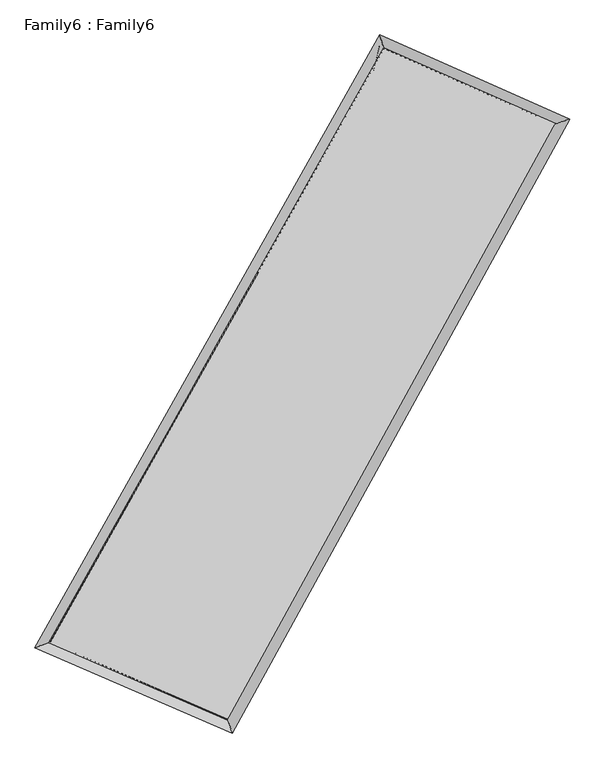
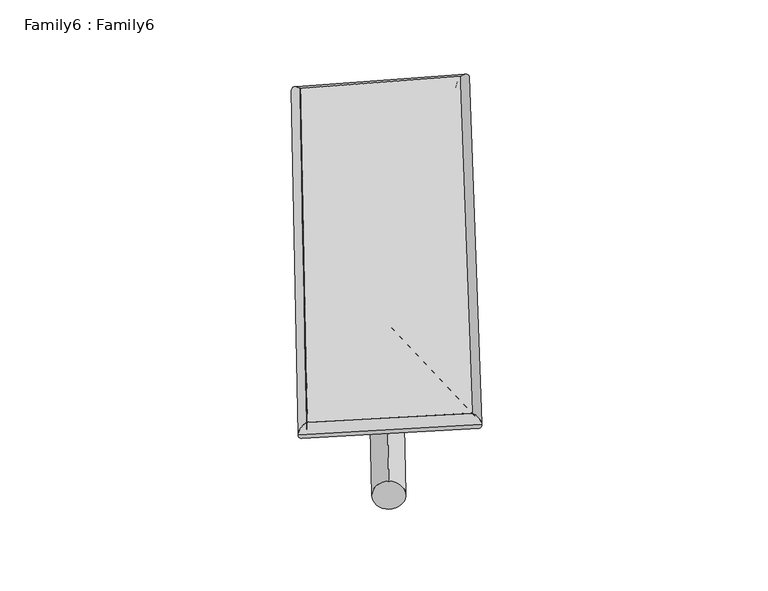
"""IFC4 building model written with IfcOpenShell, lengths in millimetres: plate geometry, Family6 : Family6."""

from ifc_helpers import new_model, si_unit, point, frame, origin, origin_2d, place, context, project, spatial, circle_curve, ellipse_curve, trimmed, segment, composite_curve, outline, extrude, source, transform, mapped, element, save
from ifc_brep_helpers import plane_surface, cylinder_surface, spline_surface, advanced_brep


def family6_family6_7ff39270(model_context):
    return source(origin(), model_context, "Body", "SolidModel", [
        extrude(outline(composite_curve([segment(trimmed(circle_curve(origin_2d(), 76.2), [point((-75.4341514, -10.7763074))], [point((75.4341514, 10.7763074))], False, "CARTESIAN"), True, "CONTINUOUS"), segment(trimmed(circle_curve(origin_2d(), 76.2), [point((75.4341514, 10.7763074))], [point((-75.4341514, -10.7763074))], False, "CARTESIAN"), True, "CONTINUOUS")], self_intersect=False)), frame((9144.0, 9144.0, 0.0), z_axis=(0.6706043938511307, 0.6920723987697479, 0.2670684215863882), x_axis=(-0.6832972732696748, 0.7164357457457711, -0.14080006590882133)), (0.0, 0.0, 1.0), 5777.7391707),
        extrude(outline(composite_curve([segment(trimmed(circle_curve(origin_2d(), 76.2), [point((-53.8815368, 53.8815367))], [point((53.8815368, -53.8815367))], False, "CARTESIAN"), True, "CONTINUOUS"), segment(trimmed(circle_curve(origin_2d(), 76.2), [point((53.8815368, -53.8815367))], [point((-53.8815368, 53.8815367))], False, "CARTESIAN"), True, "CONTINUOUS")], self_intersect=False)), frame((9144.0, 9144.0, 0.0), z_axis=(-0.6765126782522205, -0.6868227685935797, 0.26571616568334316), x_axis=(0.6364582333485362, -0.3637736431151385, 0.6801394370109706)), (0.0, 0.0, 1.0), 5805.8561265),
        extrude(outline(composite_curve([segment(trimmed(circle_curve(origin_2d(), 76.2), [point((-53.8815368, -53.8815368))], [point((53.8815368, 53.8815368))], False, "CARTESIAN"), True, "CONTINUOUS"), segment(trimmed(circle_curve(origin_2d(), 76.2), [point((53.8815368, 53.8815368))], [point((-53.8815368, -53.8815368))], False, "CARTESIAN"), True, "CONTINUOUS")], self_intersect=False)), frame((9144.0, 9144.0, 0.0), z_axis=(0.2217959100623773, 0.9363150583931772, 0.27225114454448696), x_axis=(-0.8487684864154811, 0.3228255281427879, -0.41877886150963217)), (0.0, 0.0, 1.0), 5521.8380183),
        extrude(outline(composite_curve([segment(trimmed(circle_curve(origin_2d(), 76.2), [point((-75.4341514, 10.7763073))], [point((75.4341514, -10.7763073))], False, "CARTESIAN"), True, "CONTINUOUS"), segment(trimmed(circle_curve(origin_2d(), 76.2), [point((75.4341514, -10.7763073))], [point((-75.4341514, 10.7763073))], False, "CARTESIAN"), True, "CONTINUOUS")], self_intersect=False)), frame((9144.0, 9144.0, 0.0), z_axis=(-0.21275129731434916, -0.9383801571515884, 0.27235925935282956), x_axis=(0.8954680993517341, -0.07570957997501407, 0.43863987796756476)), (0.0, 0.0, 1.0), 5521.9296829),
        advanced_brep(
        [(5000.6397186, 5083.8938819, 1540.1598661), (5000.5965886, 5083.8370429, 1546.0210349), (5431.889726, 5228.9177603, 1545.2597908), (10433.6516698, 14118.853658, 1507.0285247), (10303.7905071, 14509.5065151, 1499.6249163), (5431.932856, 5228.9745993, 1539.398622), (12804.950878, 13070.4442368, 1542.5775357), (13232.2036709, 13214.7833779, 1543.5258257), (7902.540947, 4157.3587574, 1504.6126497), (8035.8636455, 3767.3027554, 1503.2847076)],
        [
            (0, 1, ellipse_curve(frame((5216.2647223, 5156.4058211, 1542.7098284), z_axis=(-0.3188117635896031, 0.9477933328048395, 0.006845267531784604), x_axis=(-0.9477313986694903, -0.31887195906091914, 0.011219166663484461)), 227.5755751, 152.4)),
            (1, 2, ellipse_curve(frame((5216.2647223, 5156.4058211, 1542.7098284), z_axis=(-0.3188117635896031, 0.9477933328048395, 0.006845267531784604), x_axis=(-0.9477313986694903, -0.31887195906091914, 0.011219166663484461)), 227.5755751, 152.4)),
            (2, 3),
            (3, 4, ellipse_curve(frame((10368.7210885, 14314.1800865, 1503.3267205), z_axis=(-0.948883081301825, -0.3155560573476382, -0.006728498373946734), x_axis=(0.3154537043842952, -0.9488521444754106, 0.012983386100720638)), 205.8712484, 152.4)),
            (4, 0),
            (2, 5, ellipse_curve(frame((5216.2647223, 5156.4058211, 1542.7098284), z_axis=(-0.3188117635896031, 0.9477933328048395, 0.006845267531784604), x_axis=(-0.9477313986694903, -0.31887195906091914, 0.011219166663484461)), 227.5755751, 152.4)),
            (5, 0, ellipse_curve(frame((5216.2647223, 5156.4058211, 1542.7098284), z_axis=(-0.3188117635896031, 0.9477933328048395, 0.006845267531784604), x_axis=(-0.9477313986694903, -0.31887195906091914, 0.011219166663484461)), 227.5755751, 152.4)),
            (4, 3, ellipse_curve(frame((10368.7210885, 14314.1800865, 1503.3267205), z_axis=(-0.948883081301825, -0.3155560573476382, -0.006728498373946734), x_axis=(0.3154537043842952, -0.9488521444754106, 0.012983386100720638)), 205.8712484, 152.4)),
            (3, 6),
            (6, 7, ellipse_curve(frame((13018.5772744, 13142.6138073, 1543.0516807), z_axis=(-0.3200365322241712, 0.9473764444164849, -0.007381775308548647), x_axis=(-0.9473079793736798, -0.3201055973224168, -0.011832107919320625)), 225.5008516, 152.4)),
            (7, 4),
            (7, 6, ellipse_curve(frame((13018.5772744, 13142.6138073, 1543.0516807), z_axis=(-0.3200365322241712, 0.9473764444164849, -0.007381775308548647), x_axis=(-0.9473079793736798, -0.3201055973224168, -0.011832107919320625)), 225.5008516, 152.4)),
            (6, 8),
            (8, 9, ellipse_curve(frame((7969.2022963, 3962.3307564, 1503.9486786), z_axis=(0.946226539595, 0.3234451517422362, -0.006210441249510141), x_axis=(-0.32335400816635806, 0.9461972967568342, 0.012363697376208746)), 206.1141469, 152.4)),
            (9, 7),
            (9, 8, ellipse_curve(frame((7969.2022963, 3962.3307564, 1503.9486786), z_axis=(0.946226539595, 0.3234451517422362, -0.006210441249510141), x_axis=(-0.32335400816635806, 0.9461972967568342, 0.012363697376208746)), 206.1141469, 152.4)),
            (8, 5),
            (1, 9),
        ],
        [
            cylinder_surface(frame((5216.2647223, 5156.4058211, 1542.7098284), z_axis=(-0.4903451486541666, -0.8715202739001675, 0.0037479824306562107), x_axis=(-0.8713746624368787, 0.49017340159200934, -0.020886216381495723)), 152.4),
            cylinder_surface(frame((10368.7210885, 14314.1800865, 1503.3267205), z_axis=(-0.9145113595968695, 0.4043278561845266, -0.013709773211483575), x_axis=(0.4044859784404149, 0.9144675654292578, -0.011839131006395779)), 152.4),
            cylinder_surface(frame((13018.5772744, 13142.6138073, 1543.0516807), z_axis=(0.4819314631264279, 0.8762009678097303, 0.0037321385441283594), x_axis=(0.8762083917788847, -0.4819314631264278, -0.0009586579583007316)), 152.4),
            cylinder_surface(frame((7969.2022963, 3962.3307564, 1503.9486786), z_axis=(0.9173409960618061, -0.3978927890044887, -0.012916090839067798), x_axis=(-0.3978273429566671, -0.9174304311885042, 0.007403318533859623)), 152.4),
        ],
        [
            (0, [[1, 2, 3, 4, 5]]),
            (0, [[6, 7, -5, 8, -3]]),
            (1, [[-4, 9, 10, 11]]),
            (1, [[-8, -11, 12, -9]]),
            (2, [[-10, 13, 14, 15]]),
            (2, [[-12, -15, 16, -13]]),
            (3, [[-14, 17, -6, -2, 18]]),
            (3, [[-16, -18, -1, -7, -17]]),
        ],
    ),
        extrude(outline(composite_curve([segment(trimmed(circle_curve(origin_2d(), 304.8), [point((0.0, -304.8))], [point((0.0, 304.8))], False, "CARTESIAN"), True, "CONTINUOUS"), segment(trimmed(circle_curve(origin_2d(), 304.8), [point((0.0, 304.8))], [point((0.0, -304.8))], False, "CARTESIAN"), True, "CONTINUOUS")], self_intersect=False)), frame((6566.7955912, 4548.9763714, -0.0206805), z_axis=(0.48917997238465344, 0.8721828676386285, 3.9253743477262816e-06), x_axis=(-0.8721828676468587, 0.48917997238465344, 1.0256554251252833e-06)), (0.0, 0.0, 1.0), 10536.8353336),
        advanced_brep(
        [(5216.2647223, 5156.4058211, 1542.7098284), (7969.2022963, 3962.3307564, 1503.9486786), (7969.2121118, 3962.3282708, 1656.3486783), (5216.2745378, 5156.4033355, 1695.1098281), (13018.5772744, 13142.6138073, 1543.0516807), (13018.5870899, 13142.6113217, 1695.4516803), (10368.7210885, 14314.1800865, 1503.3267205), (10368.730904, 14314.1776009, 1655.7267201)],
        [
            (0, 1),
            (1, 2),
            (2, 3),
            (3, 0),
            (1, 4),
            (4, 5),
            (5, 2),
            (4, 6),
            (6, 7),
            (7, 5),
            (6, 0),
            (3, 7),
        ],
        [
            plane_surface(frame((6592.7335093, 4559.3682887, 1523.3292535), z_axis=(-0.3979258560501565, -0.9174175782995364, 1.0666040570182084e-05), x_axis=(0.9173409960618061, -0.3978927890044886, -0.012916090839067798))),
            plane_surface(frame((10493.8897853, 8552.4722819, 1523.5001796), z_axis=(0.8762071839440043, -0.4819346082937726, -6.42934370347994e-05), x_axis=(0.48193146312642804, 0.8762009678097302, 0.0037321385441283573))),
            plane_surface(frame((11693.6491814, 13728.3969469, 1523.1892006), z_axis=(0.4043659993520304, 0.9145972547762364, -1.1126824700420992e-05), x_axis=(-0.9145113595968695, 0.4043278561845266, -0.013709773211483584))),
            plane_surface(frame((7792.4929054, 9735.2929538, 1523.0182745), z_axis=(-0.8715262755988086, 0.4903488011898433, 6.412919086182765e-05), x_axis=(-0.4903451486541669, -0.8715202739001673, 0.0037479824306562042))),
            spline_surface(1, 1, [[(7969.2121118, 3962.3282708, 1656.3486783), (5216.2745378, 5156.4033355, 1695.1098281)], [(13018.5870899, 13142.6113217, 1695.4516803), (10368.730904, 14314.1776009, 1655.7267201)]], [2, 2], [2, 2], [0.0, 1.0], [0.0, 1.0]),
            spline_surface(1, 1, [[(10368.7210885, 14314.1800865, 1503.3267205), (5216.2647223, 5156.4058211, 1542.7098284)], [(13018.5772744, 13142.6138073, 1543.0516807), (7969.2022963, 3962.3307564, 1503.9486786)]], [2, 2], [2, 2], [0.0, 1.0], [0.0, 1.0]),
        ],
        [
            (0, [[1, 2, 3, 4]]),
            (1, [[5, 6, 7, -2]]),
            (2, [[8, 9, 10, -6]]),
            (3, [[11, -4, 12, -9]]),
            (4, [[-3, -7, -10, -12]]),
            (5, [[-11, -8, -5, -1]]),
        ],
    ),
    ])


if __name__ == "__main__":
    model = new_model("IFC4")
    model_context = context("Model", 3, world=origin())
    ifc_project = project(units=[si_unit("LENGTHUNIT", "METRE", prefix="MILLI")], contexts=[model_context])
    site = spatial("IfcSite", under=ifc_project)
    building = spatial("IfcBuilding", under=site)
    placement = place(None, origin())
    family6_family6_shape = family6_family6_7ff39270(model_context)
    element("IfcPlate", 1, ObjectType="Family6 : Family6", at=placement, inside=building, context=model_context, shape_type="MappedRepresentation", body=[
        mapped(family6_family6_shape, transform((0.0, 0.0, 0.0), x_axis=(1.0, 0.0, 0.0), y_axis=(0.0, 1.0, 0.0), z_axis=(0.0, 0.0, 1.0))),
    ])
    save(model, "model.ifc")
